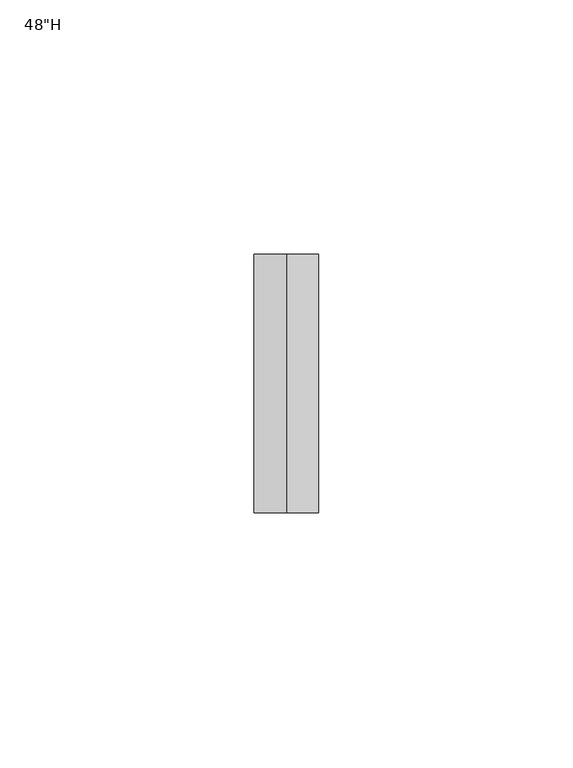
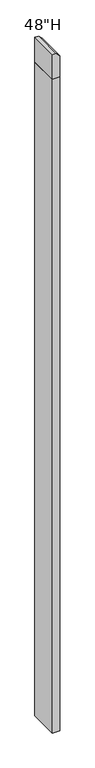
"""IFC4 building model written with IfcOpenShell, lengths in millimetres: furniture geometry."""

from ifc_helpers import new_model, si_unit, frame, origin, place, context, project, spatial, polyline, outline, extrude, source, transform, mapped, element, save


def furniture_5b41528d(model_context):
    return source(origin(), model_context, "Body", "SweptSolid", [
        extrude(outline(polyline([(1184.275, 1984.8560512), (1184.275, 1997.5560512), (1222.375, 1997.5560512), (1228.725, 1991.2060512), (1228.725, 1984.8560512), (1184.275, 1984.8560512)])), frame((0.0, -2474.1387877, 0.0), z_axis=(0.0, 1.0, 0.0), x_axis=(0.0, 0.0, 1.0)), (0.0, 0.0, 1.0), 50.8),
        extrude(outline(polyline([(1984.8560512, -2474.1387877), (1984.8560512, -2423.3387877), (1997.5560512, -2423.3387877), (1997.5560512, -2474.1387877), (1984.8560512, -2474.1387877)])), frame((0.0, 0.0, 9.525), z_axis=(0.0, 0.0, 1.0), x_axis=(1.0, 0.0, 0.0)), (0.0, 0.0, 1.0), 1174.75),
    ])


if __name__ == "__main__":
    model = new_model("IFC4")
    model_context = context("Model", 3, world=origin())
    ifc_project = project(units=[si_unit("LENGTHUNIT", "METRE", prefix="MILLI")], contexts=[model_context])
    site = spatial("IfcSite", under=ifc_project)
    building = spatial("IfcBuilding", under=site)
    placement = place(None, origin())
    furniture_shape = furniture_5b41528d(model_context)
    element("IfcFurniture", 1, ObjectType="48\"H", at=placement, inside=building, context=model_context, shape_type="MappedRepresentation", body=[
        mapped(furniture_shape, transform((0.0, 0.0, 0.0), x_axis=(1.0, 0.0, 0.0), y_axis=(0.0, 1.0, 0.0), z_axis=(0.0, 0.0, 1.0))),
    ])
    save(model, "model.ifc")
